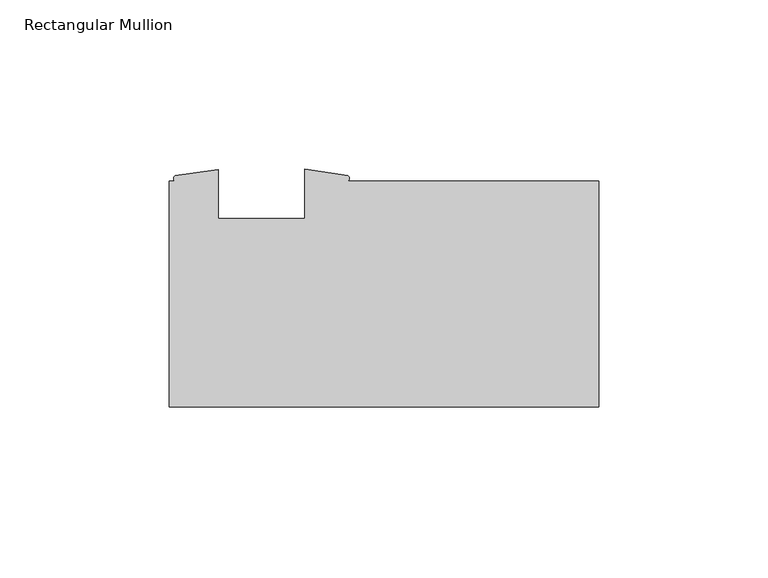
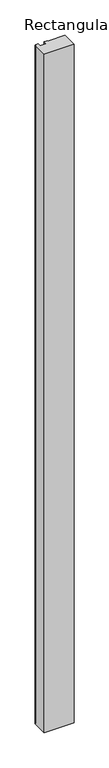
"""IFC4 building model written with IfcOpenShell, lengths in millimetres: member geometry, Rectangular Mullion."""

from ifc_helpers import new_model, si_unit, point, frame, frame_2d, origin, place, context, project, spatial, polyline, circle_curve, trimmed, segment, composite_curve, outline, extrude, source, transform, mapped, element, save


def rectangular_mullion_6cb5d893(model_context):
    return source(origin(), model_context, "Body", "SweptSolid", [
        extrude(outline(composite_curve([segment(polyline([(-74.0694222, 33.3375), (0.0, 33.3375), (0.0, -33.3375), (-126.746, -33.3375), (-126.746, 33.3375), (-125.0137625, 33.3375)]), True, "CONTINUOUS"), segment(trimmed(circle_curve(frame_2d((-124.5815998, 34.1304481)), 0.9030677), [point((-125.0137625, 33.3375))], [point((-125.0137625, 34.9233963))], False, "CARTESIAN"), True, "CONTINUOUS"), segment(polyline([(-125.0137625, 34.9233963), (-112.242475, 36.7335), (-112.242475, 22.225), (-86.842475, 22.225), (-86.842475, 36.8570217), (-74.0694222, 35.0009044)]), True, "CONTINUOUS"), segment(trimmed(circle_curve(frame_2d((-74.5625983, 34.1692022)), 0.9669288), [point((-74.0694222, 35.0009044))], [point((-74.0694222, 33.3375))], False, "CARTESIAN"), True, "CONTINUOUS")], self_intersect=False)), frame((0.0, 0.0, -3048.0), z_axis=(0.0, 0.0, 1.0), x_axis=(1.0, 0.0, 0.0)), (0.0, 0.0, 1.0), 3048.0),
    ])


if __name__ == "__main__":
    model = new_model("IFC4")
    model_context = context("Model", 3, world=origin())
    ifc_project = project(units=[si_unit("LENGTHUNIT", "METRE", prefix="MILLI")], contexts=[model_context])
    site = spatial("IfcSite", under=ifc_project)
    building = spatial("IfcBuilding", under=site)
    placement = place(None, origin())
    rectangular_mullion_shape = rectangular_mullion_6cb5d893(model_context)
    element("IfcMember", 1, ObjectType="Rectangular Mullion", at=placement, inside=building, context=model_context, shape_type="MappedRepresentation", body=[
        mapped(rectangular_mullion_shape, transform((0.0, 0.0, 0.0), x_axis=(1.0, 0.0, 0.0), y_axis=(0.0, 1.0, 0.0), z_axis=(0.0, 0.0, 1.0))),
    ])
    save(model, "model.ifc")
